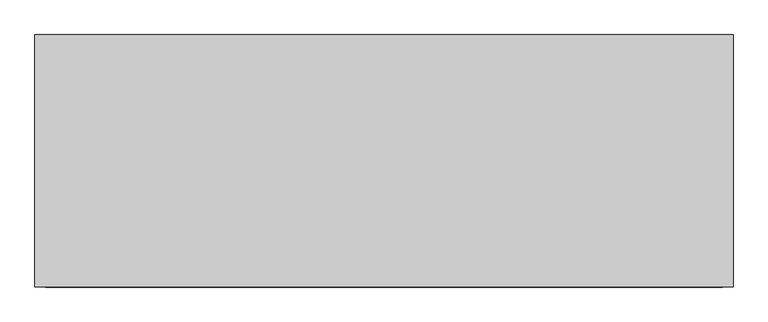
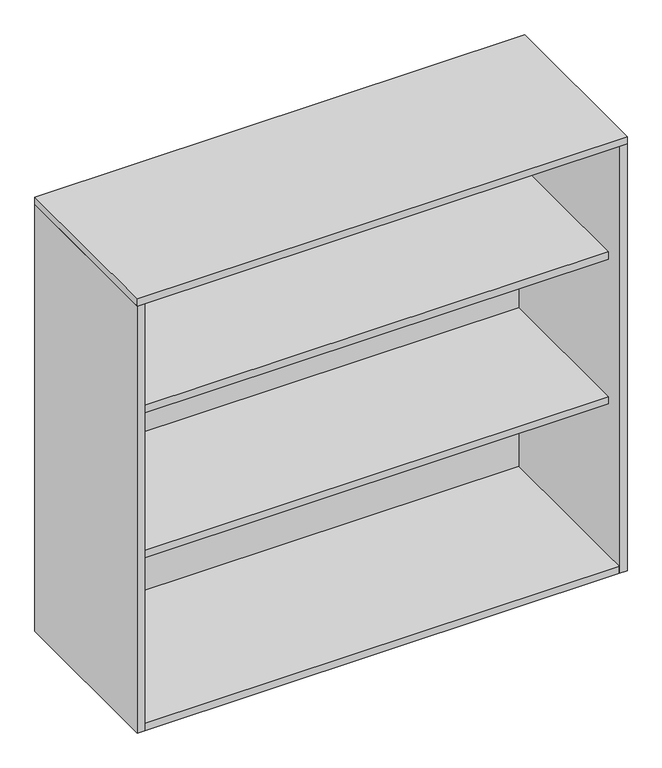
"""IFC4 building model written with IfcOpenShell, lengths in millimetres: furniture geometry."""

from ifc_helpers import new_model, si_unit, frame, origin, origin_with_axes, place, context, project, spatial, polyline, outline, extrude, source, transform, mapped, element, save


def furniture_319f51f2(model_context):
    return source(origin(), model_context, "Body", "SweptSolid", [
        extrude(outline(polyline([(-881.0, 209.0), (281.0, 209.0), (281.0, -171.0), (-881.0, -171.0), (-881.0, 209.0)])), frame((0.0, 0.0, 411.0), z_axis=(0.0, 0.0, 1.0), x_axis=(1.0, 0.0, 0.0)), (0.0, 0.0, 1.0), 19.0),
        extrude(outline(polyline([(-881.0, 209.0), (281.0, 209.0), (281.0, -171.0), (-881.0, -171.0), (-881.0, 209.0)])), frame((0.0, 0.0, 786.0), z_axis=(0.0, 0.0, 1.0), x_axis=(1.0, 0.0, 0.0)), (0.0, 0.0, 1.0), 19.0),
        extrude(outline(polyline([(281.0, 209.0), (-881.0, 209.0), (-881.0, 217.0), (281.0, 217.0), (281.0, 209.0)])), frame((0.0, 0.0, 19.0), z_axis=(0.0, 0.0, 1.0), x_axis=(1.0, 0.0, 0.0)), (0.0, 0.0, 1.0), 1087.0),
        extrude(outline(polyline([(-900.0, -217.0), (-900.0, 217.0), (300.0, 217.0), (300.0, -217.0), (-900.0, -217.0)])), frame((0.0, 0.0, 1106.0), z_axis=(0.0, 0.0, 1.0), x_axis=(1.0, 0.0, 0.0)), (0.0, 0.0, 1.0), 19.0),
        extrude(outline(polyline([(300.0, 217.0), (300.0, -217.0), (281.0, -217.0), (281.0, 217.0), (300.0, 217.0)])), origin_with_axes(), (0.0, 0.0, 1.0), 1106.0),
        extrude(outline(polyline([(-881.0, 217.0), (-881.0, -217.0), (-900.0, -217.0), (-900.0, 217.0), (-881.0, 217.0)])), origin_with_axes(), (0.0, 0.0, 1.0), 1106.0),
        extrude(outline(polyline([(281.0, 217.0), (281.0, -217.0), (-881.0, -217.0), (-881.0, 217.0), (281.0, 217.0)])), origin_with_axes(), (0.0, 0.0, 1.0), 19.0),
    ])


if __name__ == "__main__":
    model = new_model("IFC4")
    model_context = context("Model", 3, world=origin())
    ifc_project = project(units=[si_unit("LENGTHUNIT", "METRE", prefix="MILLI")], contexts=[model_context])
    site = spatial("IfcSite", under=ifc_project)
    building = spatial("IfcBuilding", under=site)
    placement = place(None, origin())
    furniture_shape = furniture_319f51f2(model_context)
    element("IfcFurniture", 1, at=placement, inside=building, context=model_context, shape_type="MappedRepresentation", body=[
        mapped(furniture_shape, transform((0.0, 0.0, 0.0), x_axis=(1.0, 0.0, 0.0), y_axis=(0.0, 1.0, 0.0), z_axis=(0.0, 0.0, 1.0))),
    ])
    save(model, "model.ifc")
